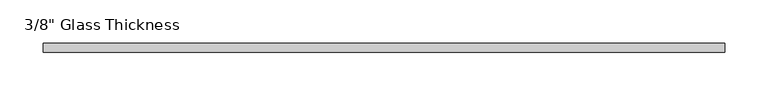
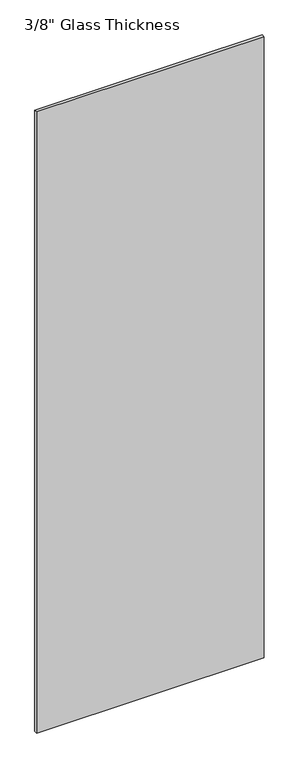
"""IFC4 building model written with IfcOpenShell, lengths in millimetres: plate geometry."""

from ifc_helpers import new_model, si_unit, origin, origin_with_axes, place, context, project, spatial, polyline, outline, extrude, source, transform, mapped, element, save


def plate_d333c265(model_context):
    return source(origin(), model_context, "Body", "SweptSolid", [
        extrude(outline(polyline([(393.0, 0.0), (-393.0, 0.0), (-393.0, 10.0), (393.0, 10.0), (393.0, 0.0)])), origin_with_axes(), (0.0, 0.0, 1.0), 2267.0),
    ])


if __name__ == "__main__":
    model = new_model("IFC4")
    model_context = context("Model", 3, world=origin())
    ifc_project = project(units=[si_unit("LENGTHUNIT", "METRE", prefix="MILLI")], contexts=[model_context])
    site = spatial("IfcSite", under=ifc_project)
    building = spatial("IfcBuilding", under=site)
    placement = place(None, origin())
    plate_shape = plate_d333c265(model_context)
    element("IfcPlate", 1, ObjectType="3/8\" Glass Thickness", at=placement, inside=building, context=model_context, shape_type="MappedRepresentation", body=[
        mapped(plate_shape, transform((0.0, 0.0, 0.0), x_axis=(1.0, 0.0, 0.0), y_axis=(0.0, 1.0, 0.0), z_axis=(0.0, 0.0, 1.0))),
    ])
    save(model, "model.ifc")
